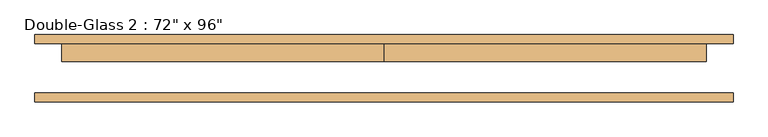
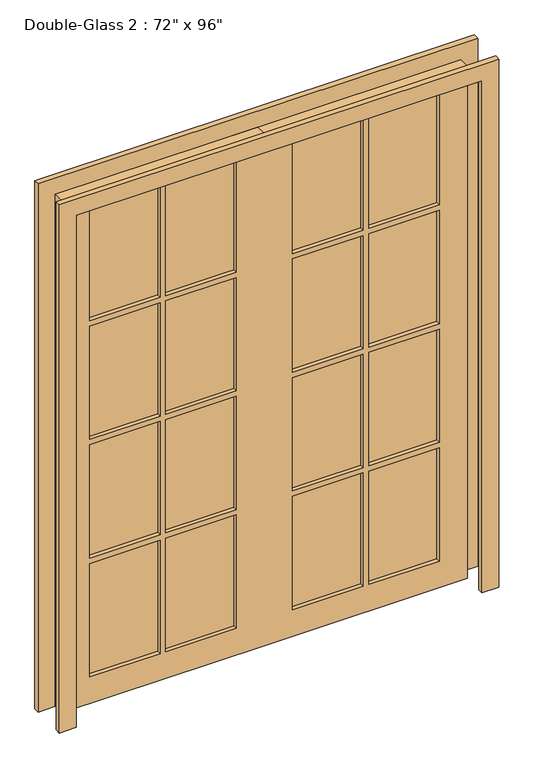
"""IFC4 building model written with IfcOpenShell, lengths in millimetres: door geometry."""

from ifc_helpers import new_model, si_unit, frame, origin, place, context, project, spatial, polyline, outline, extrude, source, transform, mapped, element, save


def door_3722cf72(model_context):
    return source(origin(), model_context, "Body", "SweptSolid", [
        extrude(outline(polyline([(469.9, 50.8), (787.4, 50.8), (787.4, 38.1), (469.9, 38.1), (469.9, 50.8)])), frame((0.0, 0.0, 1822.45), z_axis=(0.0, 0.0, 1.0), x_axis=(1.0, 0.0, 0.0)), (0.0, 0.0, 1.0), 539.75),
        extrude(outline(polyline([(127.0, 50.8), (444.5, 50.8), (444.5, 38.1), (127.0, 38.1), (127.0, 50.8)])), frame((0.0, 0.0, 1822.45), z_axis=(0.0, 0.0, 1.0), x_axis=(1.0, 0.0, 0.0)), (0.0, 0.0, 1.0), 539.75),
        extrude(outline(polyline([(-444.5, 50.8), (-127.0, 50.8), (-127.0, 38.1), (-444.5, 38.1), (-444.5, 50.8)])), frame((0.0, 0.0, 1822.45), z_axis=(0.0, 0.0, 1.0), x_axis=(1.0, 0.0, 0.0)), (0.0, 0.0, 1.0), 539.75),
        extrude(outline(polyline([(-787.4, 50.8), (-469.9, 50.8), (-469.9, 38.1), (-787.4, 38.1), (-787.4, 50.8)])), frame((0.0, 0.0, 1822.45), z_axis=(0.0, 0.0, 1.0), x_axis=(1.0, 0.0, 0.0)), (0.0, 0.0, 1.0), 539.75),
        extrude(outline(polyline([(-787.4, 50.8), (-469.9, 50.8), (-469.9, 38.1), (-787.4, 38.1), (-787.4, 50.8)])), frame((0.0, 0.0, 1257.3), z_axis=(0.0, 0.0, 1.0), x_axis=(1.0, 0.0, 0.0)), (0.0, 0.0, 1.0), 539.75),
        extrude(outline(polyline([(-444.5, 50.8), (-127.0, 50.8), (-127.0, 38.1), (-444.5, 38.1), (-444.5, 50.8)])), frame((0.0, 0.0, 1257.3), z_axis=(0.0, 0.0, 1.0), x_axis=(1.0, 0.0, 0.0)), (0.0, 0.0, 1.0), 539.75),
        extrude(outline(polyline([(127.0, 50.8), (444.5, 50.8), (444.5, 38.1), (127.0, 38.1), (127.0, 50.8)])), frame((0.0, 0.0, 1257.3), z_axis=(0.0, 0.0, 1.0), x_axis=(1.0, 0.0, 0.0)), (0.0, 0.0, 1.0), 539.75),
        extrude(outline(polyline([(469.9, 50.8), (787.4, 50.8), (787.4, 38.1), (469.9, 38.1), (469.9, 50.8)])), frame((0.0, 0.0, 1257.3), z_axis=(0.0, 0.0, 1.0), x_axis=(1.0, 0.0, 0.0)), (0.0, 0.0, 1.0), 539.75),
        extrude(outline(polyline([(469.9, 50.8), (787.4, 50.8), (787.4, 38.1), (469.9, 38.1), (469.9, 50.8)])), frame((0.0, 0.0, 692.15), z_axis=(0.0, 0.0, 1.0), x_axis=(1.0, 0.0, 0.0)), (0.0, 0.0, 1.0), 539.75),
        extrude(outline(polyline([(127.0, 50.8), (444.5, 50.8), (444.5, 38.1), (127.0, 38.1), (127.0, 50.8)])), frame((0.0, 0.0, 692.15), z_axis=(0.0, 0.0, 1.0), x_axis=(1.0, 0.0, 0.0)), (0.0, 0.0, 1.0), 539.75),
        extrude(outline(polyline([(-444.5, 50.8), (-127.0, 50.8), (-127.0, 38.1), (-444.5, 38.1), (-444.5, 50.8)])), frame((0.0, 0.0, 692.15), z_axis=(0.0, 0.0, 1.0), x_axis=(1.0, 0.0, 0.0)), (0.0, 0.0, 1.0), 539.75),
        extrude(outline(polyline([(-787.4, 50.8), (-469.9, 50.8), (-469.9, 38.1), (-787.4, 38.1), (-787.4, 50.8)])), frame((0.0, 0.0, 692.15), z_axis=(0.0, 0.0, 1.0), x_axis=(1.0, 0.0, 0.0)), (0.0, 0.0, 1.0), 539.75),
        extrude(outline(polyline([(469.9, 50.8), (787.4, 50.8), (787.4, 38.1), (469.9, 38.1), (469.9, 50.8)])), frame((0.0, 0.0, 127.0), z_axis=(0.0, 0.0, 1.0), x_axis=(1.0, 0.0, 0.0)), (0.0, 0.0, 1.0), 539.75),
        extrude(outline(polyline([(127.0, 50.8), (444.5, 50.8), (444.5, 38.1), (127.0, 38.1), (127.0, 50.8)])), frame((0.0, 0.0, 127.0), z_axis=(0.0, 0.0, 1.0), x_axis=(1.0, 0.0, 0.0)), (0.0, 0.0, 1.0), 539.75),
        extrude(outline(polyline([(-444.5, 50.8), (-127.0, 50.8), (-127.0, 38.1), (-444.5, 38.1), (-444.5, 50.8)])), frame((0.0, 0.0, 127.0), z_axis=(0.0, 0.0, 1.0), x_axis=(1.0, 0.0, 0.0)), (0.0, 0.0, 1.0), 539.75),
        extrude(outline(polyline([(-787.4, 50.8), (-469.9, 50.8), (-469.9, 38.1), (-787.4, 38.1), (-787.4, 50.8)])), frame((0.0, 0.0, 127.0), z_axis=(0.0, 0.0, 1.0), x_axis=(1.0, 0.0, 0.0)), (0.0, 0.0, 1.0), 539.75),
        extrude(outline(polyline([(2438.4, 0.0), (2438.4, -914.4), (0.0, -914.4), (0.0, 0.0), (0.0, 914.4), (2438.4, 914.4), (2438.4, 0.0)]), holes=[polyline([(2362.2, 469.9), (2362.2, 787.4), (1822.45, 787.4), (1822.45, 469.9), (2362.2, 469.9)]), polyline([(2362.2, 127.0), (2362.2, 444.5), (1822.45, 444.5), (1822.45, 127.0), (2362.2, 127.0)]), polyline([(1797.05, 469.9), (1797.05, 787.4), (1257.3, 787.4), (1257.3, 469.9), (1797.05, 469.9)]), polyline([(1797.05, 127.0), (1797.05, 444.5), (1257.3, 444.5), (1257.3, 127.0), (1797.05, 127.0)]), polyline([(1231.9, 469.9), (1231.9, 787.4), (692.15, 787.4), (692.15, 469.9), (1231.9, 469.9)]), polyline([(1231.9, 127.0), (1231.9, 444.5), (692.15, 444.5), (692.15, 127.0), (1231.9, 127.0)]), polyline([(666.75, 469.9), (666.75, 787.4), (127.0, 787.4), (127.0, 469.9), (666.75, 469.9)]), polyline([(666.75, 127.0), (666.75, 444.5), (127.0, 444.5), (127.0, 127.0), (666.75, 127.0)]), polyline([(2362.2, -444.5), (2362.2, -127.0), (1822.45, -127.0), (1822.45, -444.5), (2362.2, -444.5)]), polyline([(1797.05, -444.5), (1797.05, -127.0), (1257.3, -127.0), (1257.3, -444.5), (1797.05, -444.5)]), polyline([(1797.05, -469.9), (1257.3, -469.9), (1257.3, -787.4), (1797.05, -787.4), (1797.05, -469.9)]), polyline([(1231.9, -444.5), (1231.9, -127.0), (692.15, -127.0), (692.15, -444.5), (1231.9, -444.5)]), polyline([(1231.9, -469.9), (692.15, -469.9), (692.15, -787.4), (1231.9, -787.4), (1231.9, -469.9)]), polyline([(666.75, -444.5), (666.75, -127.0), (127.0, -127.0), (127.0, -444.5), (666.75, -444.5)]), polyline([(666.75, -787.4), (666.75, -469.9), (127.0, -469.9), (127.0, -787.4), (666.75, -787.4)]), polyline([(1822.45, -469.9), (1822.45, -787.4), (2362.2, -787.4), (2362.2, -469.9), (1822.45, -469.9)])]), frame((0.0, 19.05, 0.0), z_axis=(0.0, 1.0, 0.0), x_axis=(0.0, 0.0, 1.0)), (0.0, 0.0, 1.0), 50.8),
        extrude(outline(polyline([(2438.4, -914.4), (2438.4, 914.4), (0.0, 914.4), (0.0, 990.6), (2514.6, 990.6), (2514.6, -990.6), (0.0, -990.6), (0.0, -914.4), (2438.4, -914.4)])), frame((0.0, -95.25, 0.0), z_axis=(0.0, 1.0, 0.0), x_axis=(0.0, 0.0, 1.0)), (0.0, 0.0, 1.0), 25.4),
        extrude(outline(polyline([(2438.4, -914.4), (2438.4, 914.4), (0.0, 914.4), (0.0, 990.6), (2514.6, 990.6), (2514.6, -990.6), (0.0, -990.6), (0.0, -914.4), (2438.4, -914.4)])), frame((0.0, 69.85, 0.0), z_axis=(0.0, 1.0, 0.0), x_axis=(0.0, 0.0, 1.0)), (0.0, 0.0, 1.0), 25.4),
    ])


if __name__ == "__main__":
    model = new_model("IFC4")
    model_context = context("Model", 3, world=origin())
    ifc_project = project(units=[si_unit("LENGTHUNIT", "METRE", prefix="MILLI")], contexts=[model_context])
    site = spatial("IfcSite", under=ifc_project)
    building = spatial("IfcBuilding", under=site)
    placement = place(None, origin())
    door_shape = door_3722cf72(model_context)
    element("IfcDoor", 1, ObjectType="Double-Glass 2 : 72\" x 96\"", at=placement, inside=building, context=model_context, shape_type="MappedRepresentation", body=[
        mapped(door_shape, transform((0.0, 0.0, 0.0), x_axis=(1.0, 0.0, 0.0), y_axis=(0.0, 1.0, 0.0), z_axis=(0.0, 0.0, 1.0))),
    ])
    save(model, "model.ifc")
